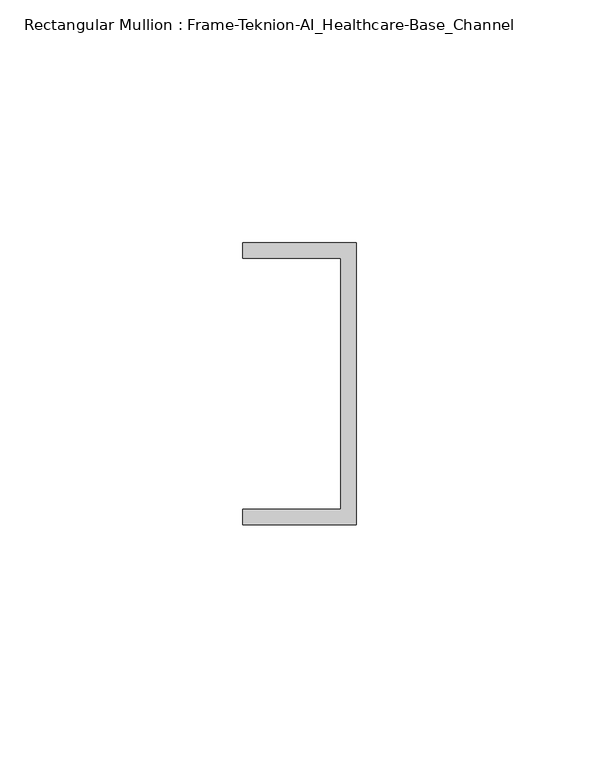
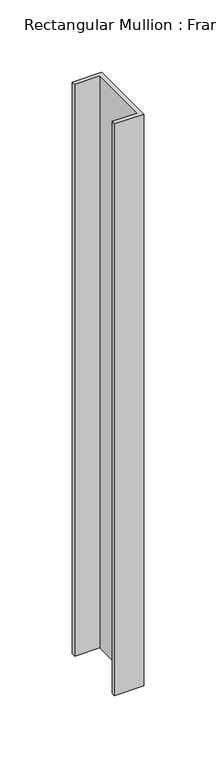
"""IFC4 building model written with IfcOpenShell, lengths in millimetres: member geometry, Rectangular Mullion : Frame-Teknion-AI_Healthcare-Base_Channel."""

from ifc_helpers import new_model, si_unit, frame, origin, place, context, project, spatial, polyline, outline, extrude, source, transform, mapped, element, save


def rectangular_mullion_frame_teknion_ai_healthcare_base_channel_77e92e0a(model_context):
    return source(origin(), model_context, "Body", "SweptSolid", [
        extrude(outline(polyline([(0.0, 29.0214844), (0.0, -29.0214844), (-23.3164063, -29.0214844), (-23.3164063, -25.8464844), (-3.175, -25.8464844), (-3.175, 25.8464844), (-23.3164063, 25.8464844), (-23.3164063, 29.0214844), (0.0, 29.0214844)])), frame((0.0, 0.0, -482.6), z_axis=(0.0, 0.0, 1.0), x_axis=(1.0, 0.0, 0.0)), (0.0, 0.0, 1.0), 482.6),
    ])


if __name__ == "__main__":
    model = new_model("IFC4")
    model_context = context("Model", 3, world=origin())
    ifc_project = project(units=[si_unit("LENGTHUNIT", "METRE", prefix="MILLI")], contexts=[model_context])
    site = spatial("IfcSite", under=ifc_project)
    building = spatial("IfcBuilding", under=site)
    placement = place(None, origin())
    rectangular_mullion_frame_teknion_ai_healthcare_base_channel_shape = rectangular_mullion_frame_teknion_ai_healthcare_base_channel_77e92e0a(model_context)
    element("IfcMember", 1, ObjectType="Rectangular Mullion : Frame-Teknion-AI_Healthcare-Base_Channel", at=placement, inside=building, context=model_context, shape_type="MappedRepresentation", body=[
        mapped(rectangular_mullion_frame_teknion_ai_healthcare_base_channel_shape, transform((0.0, 0.0, 0.0), x_axis=(1.0, 0.0, 0.0), y_axis=(0.0, 1.0, 0.0), z_axis=(0.0, 0.0, 1.0))),
    ])
    save(model, "model.ifc")
